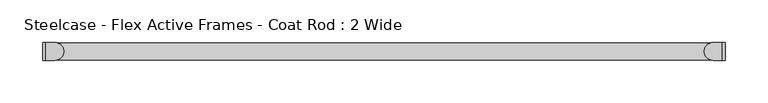
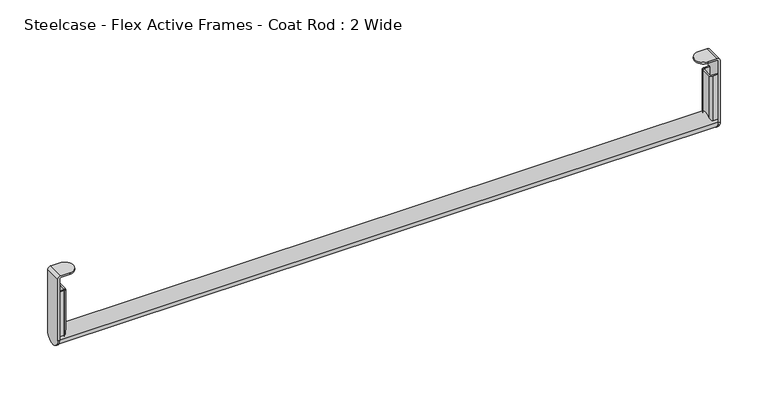
"""IFC4 building model written with IfcOpenShell, lengths in millimetres: furniture geometry, Steelcase - Flex Active Frames - Coat Rod : 2 Wide."""

import ifcopenshell
import ifcopenshell.guid

model = None  # the IFC model being written
_history = None  # IfcOwnerHistory: only IFC2X3 demands one
_inside = {}  # id of a spatial element -> (the spatial element, [elements in it])
_under = {}  # id of a project, library or spatial element -> (it, [spatial elements below it])
_declared = {}  # id of a project -> (the project, [libraries it declares])
_typed = {}  # id of a type object -> (the type object, [elements of that type])
_made_of = {}  # id of a material, layer set ... -> (it, [elements and type objects made of it])


def new_model(schema):
    """Start an empty IFC model of exactly this schema.

    Asked for "IFC4X3", IfcOpenShell would pick the latest addendum, in which some entities
    have other attributes; the version numbers below select the first issue.
    IFC2X3 requires an IfcOwnerHistory on every rooted entity: one is made here for all.
    """
    global model, _history
    if schema == "IFC4X3":
        model = ifcopenshell.file(schema_version=(4, 3, 0, 0))
    else:
        model = ifcopenshell.file(schema=schema)
    _inside.clear()
    _under.clear()
    _declared.clear()
    _typed.clear()
    _made_of.clear()
    _history = None
    if model.schema == "IFC2X3":
        org = make("IfcOrganization", Name="unknown")
        user = make(
            "IfcPersonAndOrganization",
            ThePerson=make("IfcPerson", FamilyName="unknown"),
            TheOrganization=org,
        )
        app = make(
            "IfcApplication",
            ApplicationDeveloper=org,
            Version="unknown",
            ApplicationFullName="unknown",
            ApplicationIdentifier="unknown",
        )
        _history = make(
            "IfcOwnerHistory",
            OwningUser=user,
            OwningApplication=app,
            ChangeAction="ADDED",
            CreationDate=0,
        )
    return model


def make(cls, **values):
    """One entity of the class cls with the attributes given. An attribute that is None is left unset."""
    return model.create_entity(
        cls, **{name: value for name, value in values.items() if value is not None}
    )


def rooted(cls, **values):
    """An entity with a GlobalId (a new one), such as an element, a storey or a relation."""
    return make(cls, GlobalId=ifcopenshell.guid.new(), OwnerHistory=_history, **values)


def si_unit(unit_type, name, prefix=None):
    """IfcSIUnit, for example si_unit("LENGTHUNIT", "METRE", prefix="MILLI")."""
    return make("IfcSIUnit", UnitType=unit_type, Prefix=prefix, Name=name)


def assignment(units):
    """IfcUnitAssignment: the units of a project."""
    return None if units is None else make("IfcUnitAssignment", Units=units)


def point(xyz):
    """IfcCartesianPoint."""
    return None if xyz is None else make("IfcCartesianPoint", Coordinates=xyz)


def direction(xyz):
    """IfcDirection."""
    return None if xyz is None else make("IfcDirection", DirectionRatios=xyz)


def frame(location, z_axis=None, x_axis=None):
    """IfcAxis2Placement3D, a coordinate frame: its origin and axes. An axis left out is left unset."""
    return make(
        "IfcAxis2Placement3D",
        Location=point(location),
        Axis=direction(z_axis),
        RefDirection=direction(x_axis),
    )


def frame_2d(location, x_axis=None):
    """IfcAxis2Placement2D, a coordinate frame in the plane: its origin and x axis."""
    return make(
        "IfcAxis2Placement2D", Location=point(location), RefDirection=direction(x_axis)
    )


def origin():
    """The frame at (0, 0, 0) with its axes left unset."""
    return frame((0.0, 0.0, 0.0))


def place(relative_to, where):
    """IfcLocalPlacement: puts the frame where relative to a parent placement (None: the world)."""
    return make(
        "IfcLocalPlacement", PlacementRelTo=relative_to, RelativePlacement=where
    )


def context(
    kind, dimensions, precision=None, world=None, true_north=None, identifier=None
):
    """IfcGeometricRepresentationContext, for example the 3D "Model" context."""
    return make(
        "IfcGeometricRepresentationContext",
        ContextIdentifier=identifier,
        ContextType=kind,
        CoordinateSpaceDimension=dimensions,
        Precision=precision,
        WorldCoordinateSystem=world,
        TrueNorth=true_north,
    )


def project(units=None, contexts=None):
    """IfcProject with its units and contexts."""
    return rooted(
        "IfcProject",
        Name="project",
        RepresentationContexts=contexts,
        UnitsInContext=assignment(units),
    )


def spatial(cls, under=None, at=None, **own):
    """A site, building, storey or space (cls), placed at a placement, below another one or the project."""
    s = rooted(cls, ObjectPlacement=at, **own)
    if under is not None:
        _under.setdefault(under.id(), (under, []))[1].append(s)
    return s


def polyline(points):
    """IfcPolyline through the points."""
    return make("IfcPolyline", Points=[point(p) for p in points])


def circle_curve(where, radius):
    """IfcCircle in the frame where."""
    return make("IfcCircle", Position=where, Radius=radius)


def trimmed(basis, trim1, trim2, sense, master):
    """IfcTrimmedCurve: the piece of a basis curve between two trims."""
    return make(
        "IfcTrimmedCurve",
        BasisCurve=basis,
        Trim1=trim1,
        Trim2=trim2,
        SenseAgreement=sense,
        MasterRepresentation=master,
    )


def segment(curve, same_sense, transition):
    """IfcCompositeCurveSegment."""
    return make(
        "IfcCompositeCurveSegment",
        Transition=transition,
        SameSense=same_sense,
        ParentCurve=curve,
    )


def composite_curve(segments, self_intersect=None):
    """IfcCompositeCurve: segments joined end to end."""
    return make("IfcCompositeCurve", Segments=segments, SelfIntersect=self_intersect)


def outline(outer, holes=None, kind="AREA"):
    """IfcArbitraryClosedProfileDef: a profile drawn as a closed curve; with holes, ...WithVoids."""
    if holes is None:
        return make("IfcArbitraryClosedProfileDef", ProfileType=kind, OuterCurve=outer)
    return make(
        "IfcArbitraryProfileDefWithVoids",
        ProfileType=kind,
        OuterCurve=outer,
        InnerCurves=holes,
    )


def extrude(swept, where, along, depth):
    """IfcExtrudedAreaSolid: the profile swept, set in the frame where, extruded along a direction by depth."""
    return make(
        "IfcExtrudedAreaSolid",
        SweptArea=swept,
        Position=where,
        ExtrudedDirection=direction(along),
        Depth=depth,
    )


def shape(context_of_items, identifier, shape_type, items):
    """IfcShapeRepresentation: the items that make up one representation, for example the "Body"."""
    return make(
        "IfcShapeRepresentation",
        ContextOfItems=context_of_items,
        RepresentationIdentifier=identifier,
        RepresentationType=shape_type,
        Items=items,
    )


def source(mapping_origin, context_of_items, identifier, shape_type, items):
    """IfcRepresentationMap: a shape defined once, which mapped items show again and again."""
    return make(
        "IfcRepresentationMap",
        MappingOrigin=mapping_origin,
        MappedRepresentation=shape(context_of_items, identifier, shape_type, items),
    )


def transform(
    local_origin,
    x_axis=None,
    y_axis=None,
    z_axis=None,
    scale=None,
    scale2=None,
    scale3=None,
    uniform=True,
):
    """IfcCartesianTransformationOperator3D, or its non-uniform kind. x_axis, y_axis, z_axis: its Axis1, 2, 3."""
    if uniform:
        return make(
            "IfcCartesianTransformationOperator3D",
            Axis1=direction(x_axis),
            Axis2=direction(y_axis),
            LocalOrigin=point(local_origin),
            Scale=scale,
            Axis3=direction(z_axis),
        )
    return make(
        "IfcCartesianTransformationOperator3DnonUniform",
        Axis1=direction(x_axis),
        Axis2=direction(y_axis),
        LocalOrigin=point(local_origin),
        Scale=scale,
        Axis3=direction(z_axis),
        Scale2=scale2,
        Scale3=scale3,
    )


def mapped(mapping_source, mapping_target):
    """IfcMappedItem: shows the shape of a source again, moved by a transform."""
    return make(
        "IfcMappedItem", MappingSource=mapping_source, MappingTarget=mapping_target
    )


def made_of(thing, what):
    """Note that an element or type object is made of a material, layer set ...; save() writes the relation."""
    if what is not None:
        _made_of.setdefault(what.id(), (what, []))[1].append(thing)
    return thing


def element(
    cls,
    number,
    at=None,
    inside=None,
    cuts=None,
    type_object=None,
    material=None,
    context=None,
    identifier="Body",
    shape_type=None,
    held_by="IfcProductDefinitionShape",
    body=None,
    shapes=None,
    **own,
):
    """One element of the class cls, such as IfcWall. Its Tag is "e" and its number.

    at: its placement. inside: the storey or other place that contains it. cuts: it is an
    opening in that element (IfcRelVoidsElement). A single representation is given by context,
    identifier, shape_type and body (its items); several are given by shapes. held_by: the class
    of the entity that holds the representations. save() writes the other relations.
    """
    e = rooted(cls, Tag="e%d" % number, ObjectPlacement=at, **own)
    if body is not None:
        shapes = [shape(context, identifier, shape_type, body)]
    if shapes is not None:
        e.Representation = make(held_by, Representations=shapes)
    if inside is not None:
        _inside.setdefault(inside.id(), (inside, []))[1].append(e)
    if cuts is not None:
        rooted(
            "IfcRelVoidsElement", RelatingBuildingElement=cuts, RelatedOpeningElement=e
        )
    if type_object is not None:
        _typed.setdefault(type_object.id(), (type_object, []))[1].append(e)
    return made_of(e, material)


def aggregate(whole, parts):
    """IfcRelAggregates: a whole, such as a stair, and the parts it consists of."""
    return rooted("IfcRelAggregates", RelatingObject=whole, RelatedObjects=parts)


def save(model, path):
    """Write the relations noted so far, then the file.

    IfcRelAggregates (storeys below a building ...), IfcRelContainedInSpatialStructure (elements
    in a storey), IfcRelDefinesByType, IfcRelAssociatesMaterial and IfcRelDeclares: one each for
    every whole, place, type object, material and project.
    """
    for whole, parts in _under.values():
        aggregate(whole, parts)
    for where, things in _inside.values():
        rooted(
            "IfcRelContainedInSpatialStructure",
            RelatedElements=things,
            RelatingStructure=where,
        )
    for kind, things in _typed.values():
        rooted("IfcRelDefinesByType", RelatedObjects=things, RelatingType=kind)
    for what, things in _made_of.values():
        rooted("IfcRelAssociatesMaterial", RelatedObjects=things, RelatingMaterial=what)
    for by, libraries in _declared.values():
        rooted("IfcRelDeclares", RelatingContext=by, RelatedDefinitions=libraries)
    model.write(path)


def plane_surface(at):
    """IfcPlane: the flat surface through the origin of the frame at, square to its z axis."""
    return make("IfcPlane", Position=at)


def cylinder_surface(at, radius):
    """IfcCylindricalSurface: all points at the distance radius from the z axis of the frame at."""
    return make("IfcCylindricalSurface", Position=at, Radius=radius)


def revolved_surface(curve, axis_point, axis_direction):
    """IfcSurfaceOfRevolution: the curve turned about the line through axis_point along axis_direction."""
    return make(
        "IfcSurfaceOfRevolution",
        SweptCurve=make("IfcArbitraryOpenProfileDef", ProfileType="CURVE", Curve=curve),
        AxisPosition=make("IfcAxis1Placement", Location=point(axis_point), Axis=direction(axis_direction)),
    )


def advanced_brep(points, edges, surfaces, faces):
    """IfcAdvancedBrep: a solid bounded by faces that lie on surfaces and meet in shared edges.

    An edge is (start, end): straight between two places in points (the first is 0);
    or (start, end, curve); or (start, end, curve, False) where it runs against its curve.
    A face is (place in surfaces, loops), or (place, loops, False) where it looks against
    its surface's normal. A loop lists edges by number (the first is 1), with a minus sign
    where the edge is run from its end to its start. The first loop is the outer one.
    """
    corners = [point(p) for p in points]
    vertices = [make("IfcVertexPoint", VertexGeometry=c) for c in corners]
    made = []
    for start, end, *more in edges:
        made.append(
            make(
                "IfcEdgeCurve",
                EdgeStart=vertices[start],
                EdgeEnd=vertices[end],
                EdgeGeometry=more[0] if more else make("IfcPolyline", Points=[corners[start], corners[end]]),
                SameSense=more[1] if len(more) > 1 else True,
            )
        )
    hull = []
    for where, loops, *sense in faces:
        bounds = []
        for j, loop in enumerate(loops):
            ring = [make("IfcOrientedEdge", EdgeElement=made[abs(k) - 1], Orientation=k > 0) for k in loop]
            bounds.append(
                make(
                    "IfcFaceOuterBound" if j == 0 else "IfcFaceBound",
                    Bound=make("IfcEdgeLoop", EdgeList=ring),
                    Orientation=True,
                )
            )
        hull.append(make("IfcAdvancedFace", Bounds=bounds, FaceSurface=surfaces[where], SameSense=sense[0] if sense else True))
    return make("IfcAdvancedBrep", Outer=make("IfcClosedShell", CfsFaces=hull))


def steelcase_flex_active_frames_coat_rod_2_wide_95cf2a15(model_context):
    return source(origin(), model_context, "Body", "SolidModel", [
        extrude(outline(composite_curve([segment(polyline([(1.9969227, -1.5049005), (8.2517221, -1.5049005)]), True, "CONTINUOUS"), segment(trimmed(circle_curve(frame_2d((8.2517221, -4.5529005)), 3.048), [point((8.2517221, -1.5049005))], [point((11.2997221, -4.5529005))], False, "CARTESIAN"), True, "CONTINUOUS"), segment(polyline([(11.2997221, -4.5529005), (11.2997221, -16.4568911)]), True, "CONTINUOUS"), segment(trimmed(circle_curve(frame_2d((8.2517221, -16.4568911)), 3.048), [point((11.2997221, -16.4568911))], [point((8.2517221, -19.5048911))], False, "CARTESIAN"), True, "CONTINUOUS"), segment(polyline([(8.2517221, -19.5048911), (1.9969227, -19.5048911), (1.9969227, -18.0049085), (8.2757168, -18.0049085)]), True, "CONTINUOUS"), segment(trimmed(circle_curve(frame_2d((8.2757168, -16.4809085)), 1.524), [point((8.2757168, -18.0049085))], [point((9.7997168, -16.4809085))], True, "CARTESIAN"), True, "CONTINUOUS"), segment(polyline([(9.7997168, -16.4809085), (9.7997168, -4.5288888)]), True, "CONTINUOUS"), segment(trimmed(circle_curve(frame_2d((8.2757168, -4.5288888)), 1.524), [point((9.7997168, -4.5288888))], [point((8.2757168, -3.0048888))], True, "CARTESIAN"), True, "CONTINUOUS"), segment(polyline([(8.2757168, -3.0048888), (1.9969227, -3.0048888), (1.9969227, -1.5049005)]), True, "CONTINUOUS")], self_intersect=False)), frame((0.0, 0.0, 10.5053695), z_axis=(0.0, 0.0, 1.0), x_axis=(1.0, 0.0, 0.0)), (0.0, 0.0, 1.0), 60.4999929),
        extrude(outline(composite_curve([segment(polyline([(796.5790773, -1.5049005), (796.5790773, -3.0048888), (790.3002832, -3.0048888)]), True, "CONTINUOUS"), segment(trimmed(circle_curve(frame_2d((790.3002832, -4.5288888)), 1.524), [point((790.3002832, -3.0048888))], [point((788.7762832, -4.5288888))], True, "CARTESIAN"), True, "CONTINUOUS"), segment(polyline([(788.7762832, -4.5288888), (788.7762832, -16.4809085)]), True, "CONTINUOUS"), segment(trimmed(circle_curve(frame_2d((790.3002832, -16.4809085)), 1.524), [point((788.7762832, -16.4809085))], [point((790.3002832, -18.0049085))], True, "CARTESIAN"), True, "CONTINUOUS"), segment(polyline([(790.3002832, -18.0049085), (796.5790773, -18.0049085), (796.5790773, -19.5048911), (790.3242779, -19.5048911)]), True, "CONTINUOUS"), segment(trimmed(circle_curve(frame_2d((790.3242779, -16.4568911)), 3.048), [point((790.3242779, -19.5048911))], [point((787.2762779, -16.4568911))], False, "CARTESIAN"), True, "CONTINUOUS"), segment(polyline([(787.2762779, -16.4568911), (787.2762779, -4.5529005)]), True, "CONTINUOUS"), segment(trimmed(circle_curve(frame_2d((790.3242779, -4.5529005)), 3.048), [point((787.2762779, -4.5529005))], [point((790.3242779, -1.5049005))], False, "CARTESIAN"), True, "CONTINUOUS"), segment(polyline([(790.3242779, -1.5049005), (796.5790773, -1.5049005)]), True, "CONTINUOUS")], self_intersect=False)), frame((0.0, 0.0, 10.5053695), z_axis=(0.0, 0.0, 1.0), x_axis=(1.0, 0.0, 0.0)), (0.0, 0.0, 1.0), 60.4999929),
        extrude(outline(composite_curve([segment(trimmed(circle_curve(frame_2d((-10.5052444, 10.5053695)), 10.0204817), [point((-20.5257261, 10.5053695))], [point((-0.4847627, 10.5053695))], False, "CARTESIAN"), True, "CONTINUOUS"), segment(trimmed(circle_curve(frame_2d((-10.5052444, 10.5053695)), 10.0204817), [point((-0.4847627, 10.5053695))], [point((-20.5257261, 10.5053695))], False, "CARTESIAN"), True, "CONTINUOUS")], self_intersect=False)), frame((1.9969227, 0.0, 0.0), z_axis=(1.0, 0.0, 0.0), x_axis=(0.0, 1.0, 0.0)), (0.0, 0.0, 1.0), 794.5821546),
        advanced_brep(
        [(3.556, -21.0104953, 92.3053457), (0.0, -21.0104953, 88.7493457), (0.0, -21.0104953, 10.5052638), (1.9969227, -21.0104953, 10.5052638), (1.9969227, -21.0104953, 88.7851739), (3.5209227, -21.0104953, 90.3091739), (14.1033602, -21.0104953, 90.3091739), (14.1033602, -21.0104953, 92.3053457), (3.5209227, 0.0, 90.3091739), (1.9969227, 0.0, 88.7851739), (1.9969227, 0.0, 10.5052638), (0.0, 0.0, 10.5052638), (0.0, 0.0, 88.7493457), (3.556, 0.0, 92.3053457), (14.1033602, 0.0, 92.3053457), (14.1033602, 0.0, 90.3091739)],
        [
            (0, 1, circle_curve(frame((3.556, -21.0104953, 88.7493457), z_axis=(0.0, -1.0, 0.0), x_axis=(1.0, 0.0, 0.0)), 3.556)),
            (1, 2),
            (2, 3),
            (3, 4),
            (4, 5, circle_curve(frame((3.5209227, -21.0104953, 88.7851739), z_axis=(0.0, 1.0, 0.0), x_axis=(1.0, 0.0, 0.0)), 1.524)),
            (5, 6),
            (6, 7),
            (7, 0),
            (8, 9, circle_curve(frame((3.5209227, 0.0, 88.7851739), z_axis=(0.0, -1.0, 0.0), x_axis=(1.0, 0.0, 0.0)), 1.524)),
            (9, 10),
            (10, 11),
            (11, 12),
            (12, 13, circle_curve(frame((3.556, 0.0, 88.7493457), z_axis=(0.0, 1.0, 0.0), x_axis=(1.0, 0.0, 0.0)), 3.556)),
            (13, 14),
            (14, 15),
            (15, 8),
            (13, 0),
            (7, 14, circle_curve(frame((14.1033602, -10.5052476, 92.3053457), z_axis=(0.0, 0.0, 1.0), x_axis=(1.0, 0.0, 0.0)), 10.5052476)),
            (12, 1),
            (11, 2, circle_curve(frame((0.0, -10.5052476, 10.5052638), z_axis=(-1.0, 0.0, 0.0), x_axis=(0.0, 1.0, 0.0)), 10.5052476)),
            (9, 4),
            (3, 10, circle_curve(frame((1.9969227, -10.5052476, 10.5052638), z_axis=(1.0, 0.0, 0.0), x_axis=(0.0, 1.0, 0.0)), 10.5052476)),
            (8, 5),
            (15, 6, circle_curve(frame((14.1033602, -10.5052476, 90.3091739), z_axis=(0.0, 0.0, -1.0), x_axis=(1.0, 0.0, 0.0)), 10.5052476)),
        ],
        [
            plane_surface(frame((3.5000771, -21.0104953, 92.3053457), z_axis=(0.0, -1.0, 0.0), x_axis=(-1.0, 0.0, 0.0))),
            plane_surface(frame((3.5000771, 0.0, 92.3053457), z_axis=(0.0, 1.0, 0.0), x_axis=(1.0, 0.0, 0.0))),
            plane_surface(frame((25.0054504, -21.0104953, 92.3053457), z_axis=(0.0, 0.0, 1.0), x_axis=(0.0, 1.0, 0.0))),
            cylinder_surface(frame((3.556, 0.0, 88.7493457), z_axis=(0.0, -1.0, 0.0), x_axis=(1.0, 0.0, 0.0)), 3.556),
            plane_surface(frame((0.0, -21.0104953, 88.7493457), z_axis=(-1.0, 0.0, 0.0), x_axis=(0.0, 1.0, 0.0))),
            plane_surface(frame((1.9969227, -21.0104953, 0.0), z_axis=(1.0, 0.0, 0.0), x_axis=(0.0, 1.0, 0.0))),
            revolved_surface(polyline([(5.0449227, 0.0, 88.7851739), (5.0449227, -21.0104953, 88.7851739)]), (3.5209227, 0.0, 88.7851739), (0.0, 1.0, 0.0)),
            plane_surface(frame((3.5209227, -21.0104953, 90.3091739), z_axis=(0.0, 0.0, -1.0), x_axis=(0.0, 1.0, 0.0))),
            cylinder_surface(frame((14.1033602, -10.5052476, 80.4459066), z_axis=(0.0, 0.0, -1.0), x_axis=(1.0, 0.0, 0.0)), 10.5052476),
            cylinder_surface(frame((0.0, -10.5052476, 10.5052638), z_axis=(-1.0, 0.0, 0.0), x_axis=(0.0, 1.0, 0.0)), 10.5052476),
        ],
        [
            (0, [[1, 2, 3, 4, 5, 6, 7, 8]]),
            (1, [[9, 10, 11, 12, 13, 14, 15, 16]]),
            (2, [[17, -8, 18, -14]]),
            (3, [[-1, -17, -13, 19]]),
            (4, [[-19, -12, 20, -2]]),
            (5, [[21, -4, 22, -10]]),
            (6, [[-5, -21, -9, 23]]),
            (7, [[-23, -16, 24, -6]]),
            (8, [[-7, -24, -15, -18]]),
            (9, [[-3, -20, -11, -22]]),
        ],
    ),
        advanced_brep(
        [(795.0550773, -21.0104953, 90.3091739), (796.5790773, -21.0104953, 88.7851739), (796.5790773, -21.0104953, 10.5052638), (798.576, -21.0104953, 10.5052638), (798.576, -21.0104953, 88.7493457), (795.02, -21.0104953, 92.3053457), (784.4726398, -21.0104953, 92.3053457), (784.4726398, -21.0104953, 90.3091739), (795.02, 0.0, 92.3053457), (798.576, 0.0, 88.7493457), (798.576, 0.0, 10.5052638), (796.5790773, 0.0, 10.5052638), (796.5790773, 0.0, 88.7851739), (795.0550773, 0.0, 90.3091739), (784.4726398, 0.0, 90.3091739), (784.4726398, 0.0, 92.3053457)],
        [
            (0, 1, circle_curve(frame((795.0550773, -21.0104953, 88.7851739), z_axis=(0.0, 1.0, 0.0), x_axis=(1.0, 0.0, 0.0)), 1.524)),
            (1, 2),
            (2, 3),
            (3, 4),
            (4, 5, circle_curve(frame((795.02, -21.0104953, 88.7493457), z_axis=(0.0, -1.0, 0.0), x_axis=(1.0, 0.0, 0.0)), 3.556)),
            (5, 6),
            (6, 7),
            (7, 0),
            (8, 9, circle_curve(frame((795.02, 0.0, 88.7493457), z_axis=(0.0, 1.0, 0.0), x_axis=(1.0, 0.0, 0.0)), 3.556)),
            (9, 10),
            (10, 11),
            (11, 12),
            (12, 13, circle_curve(frame((795.0550773, 0.0, 88.7851739), z_axis=(0.0, -1.0, 0.0), x_axis=(1.0, 0.0, 0.0)), 1.524)),
            (13, 14),
            (14, 15),
            (15, 8),
            (13, 0),
            (7, 14, circle_curve(frame((784.4726398, -10.5052476, 90.3091739), z_axis=(0.0, 0.0, -1.0), x_axis=(1.0, 0.0, 0.0)), 10.5052476)),
            (12, 1),
            (11, 2, circle_curve(frame((796.5790773, -10.5052476, 10.5052638), z_axis=(-1.0, 0.0, 0.0), x_axis=(0.0, 1.0, 0.0)), 10.5052476)),
            (9, 4),
            (3, 10, circle_curve(frame((798.576, -10.5052476, 10.5052638), z_axis=(1.0, 0.0, 0.0), x_axis=(0.0, 1.0, 0.0)), 10.5052476)),
            (8, 5),
            (15, 6, circle_curve(frame((784.4726398, -10.5052476, 92.3053457), z_axis=(0.0, 0.0, 1.0), x_axis=(1.0, 0.0, 0.0)), 10.5052476)),
        ],
        [
            plane_surface(frame((3.5000771, -21.0104953, 92.3053457), z_axis=(0.0, -1.0, 0.0), x_axis=(-1.0, 0.0, 0.0))),
            plane_surface(frame((3.5000771, 0.0, 92.3053457), z_axis=(0.0, 1.0, 0.0), x_axis=(1.0, 0.0, 0.0))),
            plane_surface(frame((773.5705496, -21.0104953, 90.3091739), z_axis=(0.0, 0.0, -1.0), x_axis=(0.0, 1.0, 0.0))),
            revolved_surface(polyline([(796.5790773, 0.0, 88.7851739), (796.5790773, -21.0104953, 88.7851739)]), (795.0550773, 0.0, 88.7851739), (0.0, 1.0, 0.0)),
            plane_surface(frame((796.5790773, -21.0104953, 88.7851739), z_axis=(-1.0, 0.0, 0.0), x_axis=(0.0, 1.0, 0.0))),
            plane_surface(frame((798.576, -21.0104953, 0.0), z_axis=(1.0, 0.0, 0.0), x_axis=(0.0, 1.0, 0.0))),
            cylinder_surface(frame((795.02, 0.0, 88.7493457), z_axis=(0.0, -1.0, 0.0), x_axis=(1.0, 0.0, 0.0)), 3.556),
            plane_surface(frame((795.02, -21.0104953, 92.3053457), z_axis=(-1.5042835985188963e-12, 0.0, 1.0), x_axis=(0.0, 1.0, 0.0))),
            cylinder_surface(frame((784.4726398, -10.5052476, 0.0), z_axis=(0.0, 0.0, -1.0), x_axis=(1.0, 0.0, 0.0)), 10.5052476),
            cylinder_surface(frame((0.0, -10.5052476, 10.5052638), z_axis=(-1.0, 0.0, 0.0), x_axis=(0.0, 1.0, 0.0)), 10.5052476),
        ],
        [
            (0, [[1, 2, 3, 4, 5, 6, 7, 8]]),
            (1, [[9, 10, 11, 12, 13, 14, 15, 16]]),
            (2, [[17, -8, 18, -14]]),
            (3, [[-1, -17, -13, 19]]),
            (4, [[-19, -12, 20, -2]]),
            (5, [[21, -4, 22, -10]]),
            (6, [[-5, -21, -9, 23]]),
            (7, [[-23, -16, 24, -6]]),
            (8, [[-7, -24, -15, -18]]),
            (9, [[-3, -20, -11, -22]]),
        ],
    ),
    ])


if __name__ == "__main__":
    model = new_model("IFC4")
    model_context = context("Model", 3, world=origin())
    ifc_project = project(units=[si_unit("LENGTHUNIT", "METRE", prefix="MILLI")], contexts=[model_context])
    site = spatial("IfcSite", under=ifc_project)
    building = spatial("IfcBuilding", under=site)
    placement = place(None, origin())
    steelcase_flex_active_frames_coat_rod_2_wide_shape = steelcase_flex_active_frames_coat_rod_2_wide_95cf2a15(model_context)
    element("IfcFurniture", 1, ObjectType="Steelcase - Flex Active Frames - Coat Rod : 2 Wide", at=placement, inside=building, context=model_context, shape_type="MappedRepresentation", body=[
        mapped(steelcase_flex_active_frames_coat_rod_2_wide_shape, transform((0.0, 0.0, 0.0), x_axis=(1.0, 0.0, 0.0), y_axis=(0.0, 1.0, 0.0), z_axis=(0.0, 0.0, 1.0))),
    ])
    save(model, "model.ifc")
